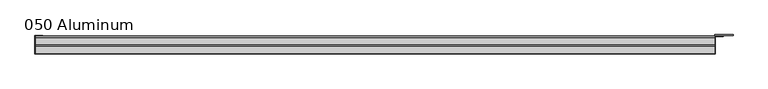
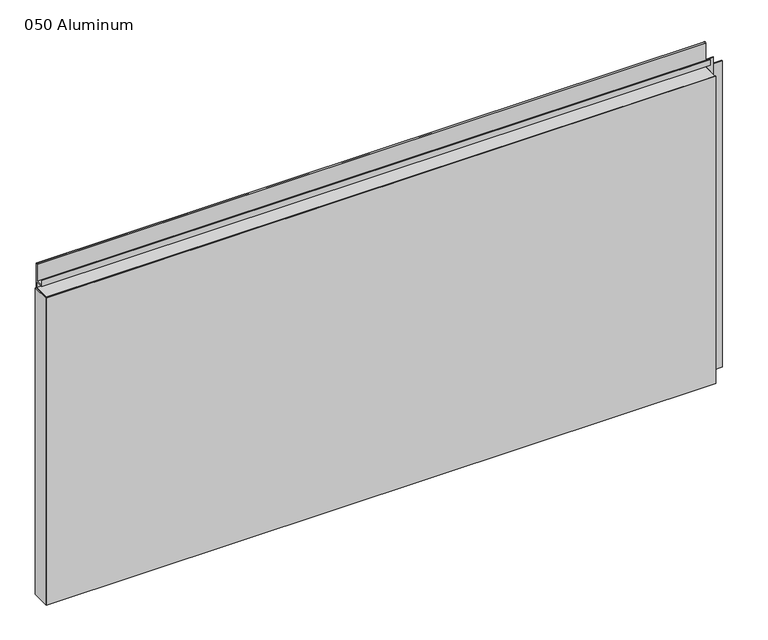
"""IFC4 building model written with IfcOpenShell, lengths in millimetres: plate geometry, 050 Aluminum."""

from ifc_helpers import new_model, si_unit, point, frame, frame_2d, origin, origin_with_axes, place, context, project, spatial, polyline, circle_curve, trimmed, segment, composite_curve, outline, extrude, source, transform, mapped, element, save


def plate_050_aluminum_8c30aa1e(model_context):
    return source(origin(), model_context, "Body", "SweptSolid", [
        extrude(outline(polyline([(-633.2008333, -2.5660257), (-633.2008333, -34.7980001), (-634.4708333, -34.7980001), (-634.4708333, -1.2699999), (-620.3103328, -1.2699999), (-620.3103328, -2.5660257), (-633.2008333, -2.5660257)])), origin_with_axes(), (0.0, 0.0, 1.0), 608.33),
        extrude(outline(composite_curve([segment(polyline([(-16.6765477, 13.1458337), (-16.6765477, 2.786437), (-17.9464915, 2.786437), (-17.9464915, 13.1323356)]), True, "CONTINUOUS"), segment(trimmed(circle_curve(frame_2d((-19.8514743, 13.124237)), 1.905), [point((-17.9464915, 13.1323356))], [point((-21.7564743, 13.124237))], True, "CARTESIAN"), True, "CONTINUOUS"), segment(polyline([(-21.7564743, 13.124237), (-21.7564743, 0.0), (-34.7980002, 0.0), (-34.7980002, 1.2693678), (-23.0264743, 1.2693678), (-23.0264743, 13.124237)]), True, "CONTINUOUS"), segment(trimmed(circle_curve(frame_2d((-19.8514743, 13.124237)), 3.175), [point((-23.0264743, 13.124237))], [point((-16.6765477, 13.1458337))], False, "CARTESIAN"), True, "CONTINUOUS")], self_intersect=False)), frame((-633.2008333, 0.0, 0.0), z_axis=(1.0, 0.0, 0.0), x_axis=(0.0, 1.0, 0.0)), (0.0, 0.0, 1.0), 1253.7016667),
        extrude(outline(composite_curve([segment(polyline([(-2.0574743, 656.7932001), (-2.0574743, 608.33), (-34.7980002, 608.33), (-34.7980002, 609.6000001), (-3.3274743, 609.6000001), (-3.3274743, 656.7932001)]), True, "CONTINUOUS"), segment(trimmed(circle_curve(frame_2d((-3.7084742, 656.7932001)), 0.3809999), [point((-3.3274743, 656.7932001))], [point((-4.0894742, 656.7932001))], True, "CARTESIAN"), True, "CONTINUOUS"), segment(polyline([(-4.0894742, 656.7932001), (-4.0894742, 622.3), (-20.4864742, 622.3), (-20.4864742, 633.6538), (-19.2164743, 633.6538), (-19.2164743, 623.57), (-5.3594742, 623.57), (-5.3594742, 656.7932001)]), True, "CONTINUOUS"), segment(trimmed(circle_curve(frame_2d((-3.7084742, 656.7932001)), 1.6509999), [point((-5.3594742, 656.7932001))], [point((-2.0574743, 656.7932001))], False, "CARTESIAN"), True, "CONTINUOUS")], self_intersect=False)), frame((-633.2008333, 0.0, 0.0), z_axis=(1.0, 0.0, 0.0), x_axis=(0.0, 1.0, 0.0)), (0.0, 0.0, 1.0), 1253.7016667),
        extrude(outline(polyline([(-634.4708333, -36.068), (-634.4708333, -34.7980001), (621.7708333, -34.7980001), (621.7708333, -36.068), (-634.4708333, -36.068)])), origin_with_axes(), (0.0, 0.0, 1.0), 609.6),
        extrude(outline(polyline([(621.7708333, -1.2699999), (621.7708333, -34.7980002), (620.5008334, -34.7980002), (620.5008334, 0.0), (654.282919, 0.0), (654.282919, -1.2699999), (621.7708333, -1.2699999)])), origin_with_axes(), (0.0, 0.0, 1.0), 608.33),
        extrude(outline(polyline([(620.5008333, -3.3274743), (620.5008333, -2.0574743), (636.2488332, -2.0574743), (636.2488332, -3.3274743), (620.5008333, -3.3274743)])), origin_with_axes(), (0.0, 0.0, 1.0), 622.3),
    ])


if __name__ == "__main__":
    model = new_model("IFC4")
    model_context = context("Model", 3, world=origin())
    ifc_project = project(units=[si_unit("LENGTHUNIT", "METRE", prefix="MILLI")], contexts=[model_context])
    site = spatial("IfcSite", under=ifc_project)
    building = spatial("IfcBuilding", under=site)
    placement = place(None, origin())
    plate_050_aluminum_shape = plate_050_aluminum_8c30aa1e(model_context)
    element("IfcPlate", 1, ObjectType="050 Aluminum", at=placement, inside=building, context=model_context, shape_type="MappedRepresentation", body=[
        mapped(plate_050_aluminum_shape, transform((0.0, 0.0, 0.0), x_axis=(1.0, 0.0, 0.0), y_axis=(0.0, 1.0, 0.0), z_axis=(0.0, 0.0, 1.0))),
    ])
    save(model, "model.ifc")
